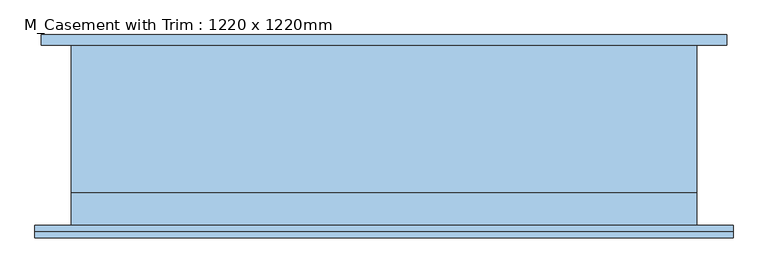
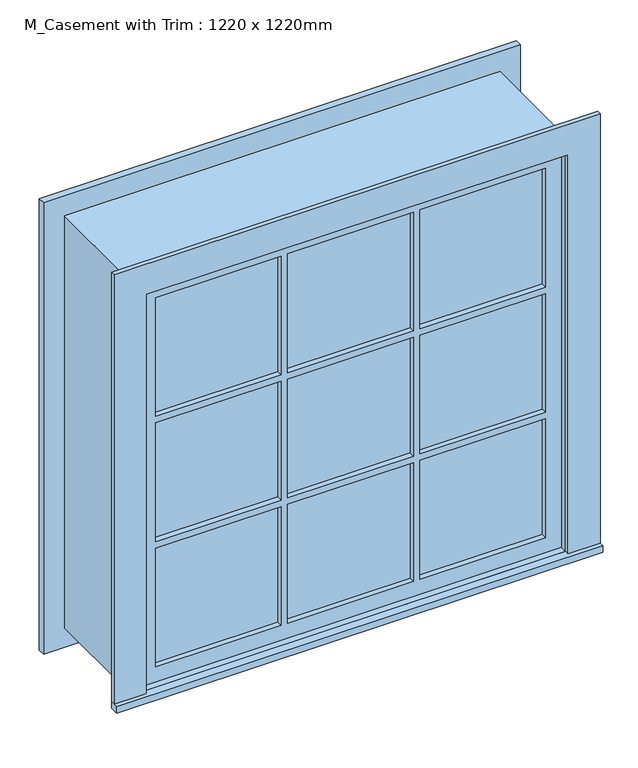
"""IFC4 building model written with IfcOpenShell, lengths in millimetres: window geometry, M_Casement with Trim : 1220 x 1220mm."""

from ifc_helpers import new_model, si_unit, frame, origin, origin_with_axes, place, context, project, spatial, polyline, outline, extrude, source, transform, mapped, element, save


def m_casement_with_trim_1220_x_1220mm_d9ac9654(model_context):
    return source(origin(), model_context, "Body", "SweptSolid", [
        extrude(outline(polyline([(-680.95, -200.7), (-680.95, -176.0), (680.95, -176.0), (680.95, -200.7), (-680.95, -200.7)])), origin_with_axes(), (0.0, 0.0, 1.0), 19.05),
        extrude(outline(polyline([(1200.95, -590.95), (1200.95, 590.95), (19.05, 590.95), (19.05, 680.95), (1290.95, 680.95), (1290.95, -680.95), (19.05, -680.95), (19.05, -590.95), (1200.95, -590.95)])), frame((0.0, -188.0, 0.0), z_axis=(0.0, 1.0, 0.0), x_axis=(0.0, 0.0, 1.0)), (0.0, 0.0, 1.0), 12.0),
        extrude(outline(polyline([(194.8666667, -140.125), (194.8666667, -127.425), (546.5, -127.425), (546.5, -140.125), (194.8666667, -140.125)])), frame((0.0, 0.0, 804.8666667), z_axis=(0.0, 0.0, 1.0), x_axis=(1.0, 0.0, 0.0)), (0.0, 0.0, 1.0), 351.6333333),
        extrude(outline(polyline([(-175.8166667, -140.125), (-175.8166667, -127.425), (175.8166667, -127.425), (175.8166667, -140.125), (-175.8166667, -140.125)])), frame((0.0, 0.0, 804.8666667), z_axis=(0.0, 0.0, 1.0), x_axis=(1.0, 0.0, 0.0)), (0.0, 0.0, 1.0), 351.6333333),
        extrude(outline(polyline([(-546.5, -140.125), (-546.5, -127.425), (-194.8666667, -127.425), (-194.8666667, -140.125), (-546.5, -140.125)])), frame((0.0, 0.0, 804.8666667), z_axis=(0.0, 0.0, 1.0), x_axis=(1.0, 0.0, 0.0)), (0.0, 0.0, 1.0), 351.6333333),
        extrude(outline(polyline([(-546.5, -140.125), (-546.5, -127.425), (-194.8666667, -127.425), (-194.8666667, -140.125), (-546.5, -140.125)])), frame((0.0, 0.0, 434.1833333), z_axis=(0.0, 0.0, 1.0), x_axis=(1.0, 0.0, 0.0)), (0.0, 0.0, 1.0), 351.6333333),
        extrude(outline(polyline([(-175.8166667, -140.125), (-175.8166667, -127.425), (175.8166667, -127.425), (175.8166667, -140.125), (-175.8166667, -140.125)])), frame((0.0, 0.0, 434.1833333), z_axis=(0.0, 0.0, 1.0), x_axis=(1.0, 0.0, 0.0)), (0.0, 0.0, 1.0), 351.6333333),
        extrude(outline(polyline([(194.8666667, -140.125), (194.8666667, -127.425), (546.5, -127.425), (546.5, -140.125), (194.8666667, -140.125)])), frame((0.0, 0.0, 434.1833333), z_axis=(0.0, 0.0, 1.0), x_axis=(1.0, 0.0, 0.0)), (0.0, 0.0, 1.0), 351.6333333),
        extrude(outline(polyline([(194.8666667, -140.125), (194.8666667, -127.425), (546.5, -127.425), (546.5, -140.125), (194.8666667, -140.125)])), frame((0.0, 0.0, 63.5), z_axis=(0.0, 0.0, 1.0), x_axis=(1.0, 0.0, 0.0)), (0.0, 0.0, 1.0), 351.6333333),
        extrude(outline(polyline([(-175.8166667, -140.125), (-175.8166667, -127.425), (175.8166667, -127.425), (175.8166667, -140.125), (-175.8166667, -140.125)])), frame((0.0, 0.0, 63.5), z_axis=(0.0, 0.0, 1.0), x_axis=(1.0, 0.0, 0.0)), (0.0, 0.0, 1.0), 351.6333333),
        extrude(outline(polyline([(-546.5, -140.125), (-546.5, -127.425), (-194.8666667, -127.425), (-194.8666667, -140.125), (-546.5, -140.125)])), frame((0.0, 0.0, 63.5), z_axis=(0.0, 0.0, 1.0), x_axis=(1.0, 0.0, 0.0)), (0.0, 0.0, 1.0), 351.6333333),
        extrude(outline(polyline([(1278.25, 668.25), (1278.25, -668.25), (-58.25, -668.25), (-58.25, 668.25), (1278.25, 668.25)]), holes=[polyline([(1188.25, 578.25), (31.75, 578.25), (31.75, -578.25), (1188.25, -578.25), (1188.25, 578.25)])]), frame((0.0, 176.0, 0.0), z_axis=(0.0, 1.0, 0.0), x_axis=(0.0, 0.0, 1.0)), (0.0, 0.0, 1.0), 20.0),
        extrude(outline(polyline([(1200.95, -590.95), (19.05, -590.95), (19.05, 590.95), (1200.95, 590.95), (1200.95, -590.95)]), holes=[polyline([(1156.5, -194.8666667), (804.8666667, -194.8666667), (804.8666667, -546.5), (1156.5, -546.5), (1156.5, -194.8666667)]), polyline([(785.8166667, -194.8666667), (434.1833333, -194.8666667), (434.1833333, -546.5), (785.8166667, -546.5), (785.8166667, -194.8666667)]), polyline([(415.1333333, -194.8666667), (63.5, -194.8666667), (63.5, -546.5), (415.1333333, -546.5), (415.1333333, -194.8666667)]), polyline([(1156.5, 175.8166667), (804.8666667, 175.8166667), (804.8666667, -175.8166667), (1156.5, -175.8166667), (1156.5, 175.8166667)]), polyline([(785.8166667, 175.8166667), (434.1833333, 175.8166667), (434.1833333, -175.8166667), (785.8166667, -175.8166667), (785.8166667, 175.8166667)]), polyline([(415.1333333, 175.8166667), (63.5, 175.8166667), (63.5, -175.8166667), (415.1333333, -175.8166667), (415.1333333, 175.8166667)]), polyline([(1156.5, 546.5), (804.8666667, 546.5), (804.8666667, 194.8666667), (1156.5, 194.8666667), (1156.5, 546.5)]), polyline([(785.8166667, 546.5), (434.1833333, 546.5), (434.1833333, 194.8666667), (785.8166667, 194.8666667), (785.8166667, 546.5)]), polyline([(415.1333333, 546.5), (63.5, 546.5), (63.5, 194.8666667), (415.1333333, 194.8666667), (415.1333333, 546.5)])]), frame((0.0, -156.0, 0.0), z_axis=(0.0, 1.0, 0.0), x_axis=(0.0, 0.0, 1.0)), (0.0, 0.0, 1.0), 44.45),
        extrude(outline(polyline([(1220.0, -610.0), (0.0, -610.0), (0.0, 610.0), (1220.0, 610.0), (1220.0, -610.0)]), holes=[polyline([(1188.25, -578.25), (1188.25, 578.25), (31.75, 578.25), (31.75, -578.25), (1188.25, -578.25)])]), frame((0.0, -111.55, 0.0), z_axis=(0.0, 1.0, 0.0), x_axis=(0.0, 0.0, 1.0)), (0.0, 0.0, 1.0), 287.55),
        extrude(outline(polyline([(1220.0, 610.0), (1220.0, -610.0), (0.0, -610.0), (0.0, 610.0), (1220.0, 610.0)]), holes=[polyline([(1200.95, 590.95), (19.05, 590.95), (19.05, -590.95), (1200.95, -590.95), (1200.95, 590.95)])]), frame((0.0, -176.0, 0.0), z_axis=(0.0, 1.0, 0.0), x_axis=(0.0, 0.0, 1.0)), (0.0, 0.0, 1.0), 64.45),
    ])


if __name__ == "__main__":
    model = new_model("IFC4")
    model_context = context("Model", 3, world=origin())
    ifc_project = project(units=[si_unit("LENGTHUNIT", "METRE", prefix="MILLI")], contexts=[model_context])
    site = spatial("IfcSite", under=ifc_project)
    building = spatial("IfcBuilding", under=site)
    placement = place(None, origin())
    m_casement_with_trim_1220_x_1220mm_shape = m_casement_with_trim_1220_x_1220mm_d9ac9654(model_context)
    element("IfcWindow", 1, ObjectType="M_Casement with Trim : 1220 x 1220mm", at=placement, inside=building, context=model_context, shape_type="MappedRepresentation", body=[
        mapped(m_casement_with_trim_1220_x_1220mm_shape, transform((0.0, 0.0, 0.0), x_axis=(1.0, 0.0, 0.0), y_axis=(0.0, 1.0, 0.0), z_axis=(0.0, 0.0, 1.0))),
    ])
    save(model, "model.ifc")
